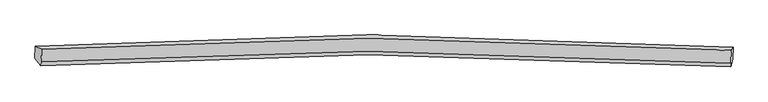
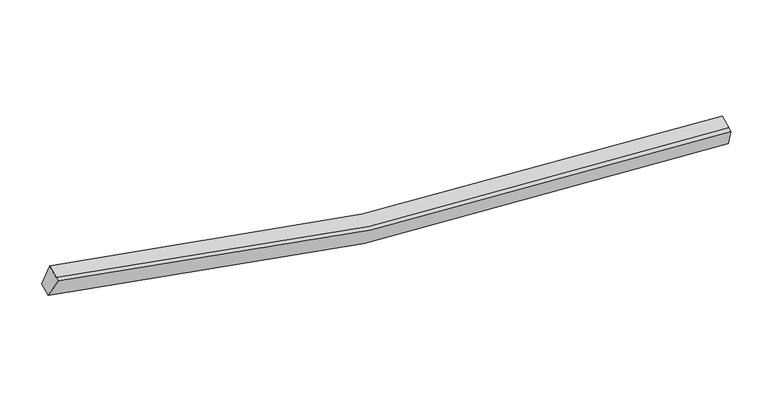
"""IFC4 building model written with IfcOpenShell, lengths in millimetres: proxy geometry."""

from ifc_helpers import new_model, si_unit, frame, origin, place, context, project, spatial, source, transform, mapped, element, save
from ifc_brep_helpers import plane_surface, spline_curve, spline_surface, advanced_brep


def generic_models_a84fb747(model_context):
    return source(origin(), model_context, "Body", "AdvancedBrep", [
        advanced_brep(
        [(-11504.9690912, -1866.2850984, 4540.7905005), (-11289.5114676, -1974.6837576, 5216.5470238), (12660.9991336, -2011.5772821, 2503.4342128), (12722.9453058, -1903.5186363, 1796.8189451), (-11309.3336227, -2411.4117105, 5043.1683645), (12641.1769785, -2448.305235, 2330.0555534), (-11315.2342974, -2541.4172316, 4991.5568686), (12635.2763038, -2578.3107562, 2278.4440575), (-11524.051938, -2286.7243795, 4373.8783567), (12703.862459, -2323.9579174, 1629.9068013)],
        [
            (0, 1),
            (1, 2, spline_curve(3, [(-11289.5114676, -1974.6837576, 5216.5470238), (-7535.365710025, -1719.453967397, 4161.98232834), (-3746.619831581, -1589.375773463, 3405.107062568), (4230.6419372, -1579.0966184, 2447.033788549), (8425.399594015, -1721.472654357, 2299.538116581), (12660.9991336, -2011.5772821, 2503.4342128)], [4, 2, 4], [0.0, 38.268310884268026, 79.8453327525018])),
            (2, 3),
            (3, 0, spline_curve(3, [(12722.9453058, -1903.5186363, 1796.8189451), (8437.464586558, -1609.736252108, 1589.361704891), (4193.727286421, -1465.566808366, 1737.939693869), (-3875.864636278, -1476.020606464, 2707.008865226), (-7708.098800396, -1607.77887109, 3473.088063028), (-11504.9690912, -1866.2850984, 4540.7905005)], [4, 2, 4], [0.0, 41.57702186823378, 79.8453327525018])),
            (1, 4),
            (4, 5, spline_curve(3, [(-11309.3336227, -2411.4117105, 5043.1683645), (-7555.592570656, -2165.098533827, 3985.063822103), (-3767.057430844, -2039.663394439, 3226.345289032), (4210.169346241, -2030.155176071, 2267.965954441), (8405.137740336, -2167.888157965, 2122.313551923), (12641.1769785, -2448.305235, 2330.0555534)], [4, 2, 4], [0.0, 38.04775277750026, 79.38514689586987])),
            (5, 2),
            (4, 6),
            (6, 7, spline_curve(3, [(-11315.2342974, -2541.4172316, 4991.5568686), (-7561.493245466, -2295.1040545, 3933.452325741), (-3772.958106406, -2169.668915619, 3174.733792427), (4204.268672269, -2160.160697085, 2216.354459099), (8399.237066945, -2297.893679285, 2070.702055098), (12635.2763038, -2578.3107562, 2278.4440575)], [4, 2, 4], [0.0, 38.04774285232636, 79.38512618738302])),
            (7, 5),
            (6, 8),
            (8, 9, spline_curve(3, [(-11524.051938, -2286.7243795, 4373.8783567), (-7727.586352981, -2037.134764676, 3302.636070341), (-3895.562927257, -1910.019554284, 2534.713606644), (4173.994003572, -1900.336695502, 1565.338375645), (8417.942042844, -2039.863084151, 1418.60365552), (12703.862459, -2323.9579174, 1629.9068013)], [4, 2, 4], [0.0, 38.26827659909323, 79.84526121782659])),
            (9, 7),
            (8, 0),
            (3, 9),
        ],
        [
            spline_surface(3, 3, [[(-11504.9690912, -1866.2850984, 4540.7905005), (-7708.098800641, -1607.778870768, 3473.088062411), (-3875.864635909, -1476.020606309, 2707.008865494), (4193.727286022, -1465.566808534, 1737.939693578), (8437.464586968, -1609.736252298, 1589.361705363), (12722.9453058, -1903.5186363, 1796.8189451)], [(-11433.149883343, -1902.417984781, 4766.042674947), (-7650.52110359, -1645.003903109, 3702.719484614), (-3832.783034532, -1513.805662084, 2939.708264724), (4206.032169821, -1503.410078461, 1974.30439174), (8433.442922468, -1646.981719532, 1826.087175869), (12702.296581735, -1939.538184904, 2032.357367659)], [(-11361.330675457, -1938.550871219, 4991.294849353), (-7592.943406509, -1682.228935508, 3932.350906775), (-3789.701433158, -1551.59071781, 3172.407663866), (4218.337053617, -1541.253348339, 2210.669089814), (8429.421257963, -1684.227186756, 2062.812646398), (12681.647857665, -1975.557733496, 2267.895790241)], [(-11289.5114676, -1974.6837576, 5216.5470238), (-7535.365709458, -1719.45396785, 4161.982328978), (-3746.619831781, -1589.375773585, 3405.107063096), (4230.641937417, -1579.096618267, 2447.033787976), (8425.399593462, -1721.47265399, 2299.538116904), (12660.9991336, -2011.5772821, 2503.4342128)]], [4, 4], [4, 2, 4], [0.0, 2.3540047089994203], [0.0, 38.268310884268026, 79.8453327525018]),
            spline_surface(3, 3, [[(-11289.5114676, -1974.6837576, 5216.5470238), (-7535.365709458, -1719.45396785, 4161.982328978), (-3746.619831781, -1589.375773585, 3405.107063096), (4230.641937417, -1579.096618267, 2447.033787976), (8425.399593462, -1721.47265399, 2299.538116904), (12660.9991336, -2011.5772821, 2503.4342128)], [(-11296.118852612, -2120.259741903, 5158.754137353), (-7542.107996519, -1868.002156518, 4103.009493309), (-3753.43236497, -1739.471647029, 3345.519804857), (4223.817740481, -1729.449471049, 2387.344510316), (8418.645642654, -1870.277821998, 2240.463261814), (12654.391748588, -2157.153266403, 2445.641326353)], [(-11302.726237688, -2265.835726197, 5100.961250947), (-7548.850283644, -2016.550345177, 4044.036657681), (-3760.244898073, -1889.567520484, 3285.932546693), (4216.993543631, -1879.802323844, 2327.65523273), (8411.891691782, -2019.082989996, 2181.388406664), (12647.784363512, -2302.729250697, 2387.848439847)], [(-11309.3336227, -2411.4117105, 5043.1683645), (-7555.592570705, -2165.098533845, 3985.063822013), (-3767.057431262, -2039.663393928, 3226.345288454), (4210.169346695, -2030.155176626, 2267.965955069), (8405.137740974, -2167.888158003, 2122.313551573), (12641.1769785, -2448.305235, 2330.0555534)]], [4, 4], [4, 2, 4], [0.0, 1.592284249074101], [0.0, 38.04775277750026, 79.38514689586987]),
            spline_surface(3, 3, [[(-11309.3336227, -2411.4117105, 5043.1683645), (-7555.592570705, -2165.098533845, 3985.063822013), (-3767.057431262, -2039.663393928, 3226.345288454), (4210.169346695, -2030.155176626, 2267.965955069), (8405.137740974, -2167.888158003, 2122.313551573), (12641.1769785, -2448.305235, 2330.0555534)], [(-11311.300514277, -2454.746884212, 5025.964532525), (-7557.559462282, -2208.433707558, 3967.859990038), (-3769.024322839, -2082.998567641, 3209.141456479), (4208.202455118, -2073.490350339, 2250.762123094), (8403.170849397, -2211.223331715, 2105.109719598), (12639.210086923, -2491.640408712, 2312.851721425)], [(-11313.267405823, -2498.082057888, 5008.760700575), (-7559.526353828, -2251.768881233, 3950.656158087), (-3770.991214485, -2126.333741316, 3191.937624428), (4206.235563472, -2116.825524014, 2233.558291044), (8401.203957851, -2254.55850549, 2087.905887648), (12637.243195377, -2534.975582488, 2295.647889475)], [(-11315.2342974, -2541.4172316, 4991.5568686), (-7561.493245405, -2295.104054945, 3933.452326113), (-3772.958106062, -2169.668915028, 3174.733792454), (4204.268671895, -2160.160697726, 2216.354459069), (8399.237066274, -2297.893679203, 2070.702055673), (12635.2763038, -2578.3107562, 2278.4440575)]], [4, 4], [4, 2, 4], [0.0, 0.4593175853018422], [0.0, 38.04774285232636, 79.38512618738302]),
            spline_surface(3, 3, [[(-11315.2342974, -2541.4172316, 4991.5568686), (-7561.493245405, -2295.104054945, 3933.452326113), (-3772.958106062, -2169.668915028, 3174.733792454), (4204.268671895, -2160.160697726, 2216.354459069), (8399.237066274, -2297.893679203, 2070.702055673), (12635.2763038, -2578.3107562, 2278.4440575)], [(-11384.840177596, -2456.519614217, 4785.664031306), (-7616.857614796, -2209.114291602, 3723.180241063), (-3813.826379778, -2083.11912825, 2961.393730376), (4194.177115756, -2073.552696796, 1999.349098059), (8405.472058435, -2211.883480966, 1853.33592232), (12658.138355526, -2493.526476594, 2062.264972094)], [(-11454.446057804, -2371.621996883, 4579.771193994), (-7672.221984197, -2123.124528307, 3512.908155996), (-3854.694653474, -1996.56934153, 2748.053668329), (4184.085559639, -1986.944695924, 1782.34373708), (8411.707050619, -2125.873282747, 1635.969788986), (12681.000407274, -2408.742197006, 1846.085886706)], [(-11524.051938, -2286.7243795, 4373.8783567), (-7727.586353588, -2037.134764964, 3302.636070946), (-3895.56292719, -1910.019554752, 2534.713606252), (4173.9940035, -1900.336694993, 1565.33837607), (8417.94204278, -2039.86308451, 1418.603655633), (12703.862459, -2323.9579174, 1629.9068013)]], [4, 4], [4, 2, 4], [0.0, 2.296559865697234], [0.0, 38.26827659909323, 79.84526121782659]),
            spline_surface(3, 3, [[(-11524.051938, -2286.7243795, 4373.8783567), (-7727.586353588, -2037.134764964, 3302.636070946), (-3895.56292719, -1910.019554752, 2534.713606252), (4173.9940035, -1900.336694993, 1565.33837607), (8417.94204278, -2039.86308451, 1418.603655633), (12703.862459, -2323.9579174, 1629.9068013)], [(-11517.690989071, -2146.577952487, 4429.515737969), (-7721.09050261, -1894.016133586, 3359.453401437), (-3888.996830085, -1765.353238599, 2592.145359313), (4180.571764352, -1755.413399501, 1622.872148553), (8424.449557505, -1896.487473793, 1475.523005545), (12710.223407929, -2183.811490387, 1685.544182569)], [(-11511.330040129, -2006.431525413, 4485.153119231), (-7714.594651618, -1750.897502146, 3416.27073192), (-3882.430733015, -1620.686922463, 2649.577112433), (4187.149525169, -1610.490104026, 1680.405921095), (8430.957072244, -1753.111863015, 1532.442355451), (12716.584356871, -2043.665063313, 1741.181563831)], [(-11504.9690912, -1866.2850984, 4540.7905005), (-7708.098800641, -1607.778870768, 3473.088062411), (-3875.864635909, -1476.020606309, 2707.008865494), (4193.727286022, -1465.566808534, 1737.939693578), (8437.464586968, -1609.736252298, 1589.361705363), (12722.9453058, -1903.5186363, 1796.8189451)]], [4, 4], [4, 2, 4], [0.0, 1.5347353591039836], [0.0, 38.488820353673056, 80.30541712918017]),
            plane_surface(frame((12680.7708005, -2204.341148, 2052.1510041), z_axis=(0.9942954538329223, -0.07516981089469454, 0.07567066814320621), x_axis=(0.09798022168136845, 0.3633611983128153, -0.9264817945971442))),
            plane_surface(frame((-11408.4416986, -2167.2776168, 4780.6931874), z_axis=(-0.9535377136060939, -0.07278235530430223, 0.292350059837896), x_axis=(-0.04214767664360863, -0.9286108652663534, -0.36865354231692987))),
        ],
        [
            (0, [[1, 2, 3, 4]]),
            (1, [[5, 6, 7, -2]]),
            (2, [[8, 9, 10, -6]]),
            (3, [[11, 12, 13, -9]]),
            (4, [[14, -4, 15, -12]]),
            (5, [[-13, -15, -3, -7, -10]]),
            (6, [[-14, -11, -8, -5, -1]]),
        ],
    ),
    ])


if __name__ == "__main__":
    model = new_model("IFC4")
    model_context = context("Model", 3, world=origin())
    ifc_project = project(units=[si_unit("LENGTHUNIT", "METRE", prefix="MILLI")], contexts=[model_context])
    site = spatial("IfcSite", under=ifc_project)
    building = spatial("IfcBuilding", under=site)
    placement = place(None, origin())
    generic_models_shape = generic_models_a84fb747(model_context)
    element("IfcBuildingElementProxy", 1, Name="Generic Models", at=placement, inside=building, context=model_context, shape_type="MappedRepresentation", body=[
        mapped(generic_models_shape, transform((0.0, 0.0, 0.0), x_axis=(1.0, 0.0, 0.0), y_axis=(0.0, 1.0, 0.0), z_axis=(0.0, 0.0, 1.0))),
    ])
    save(model, "model.ifc")
